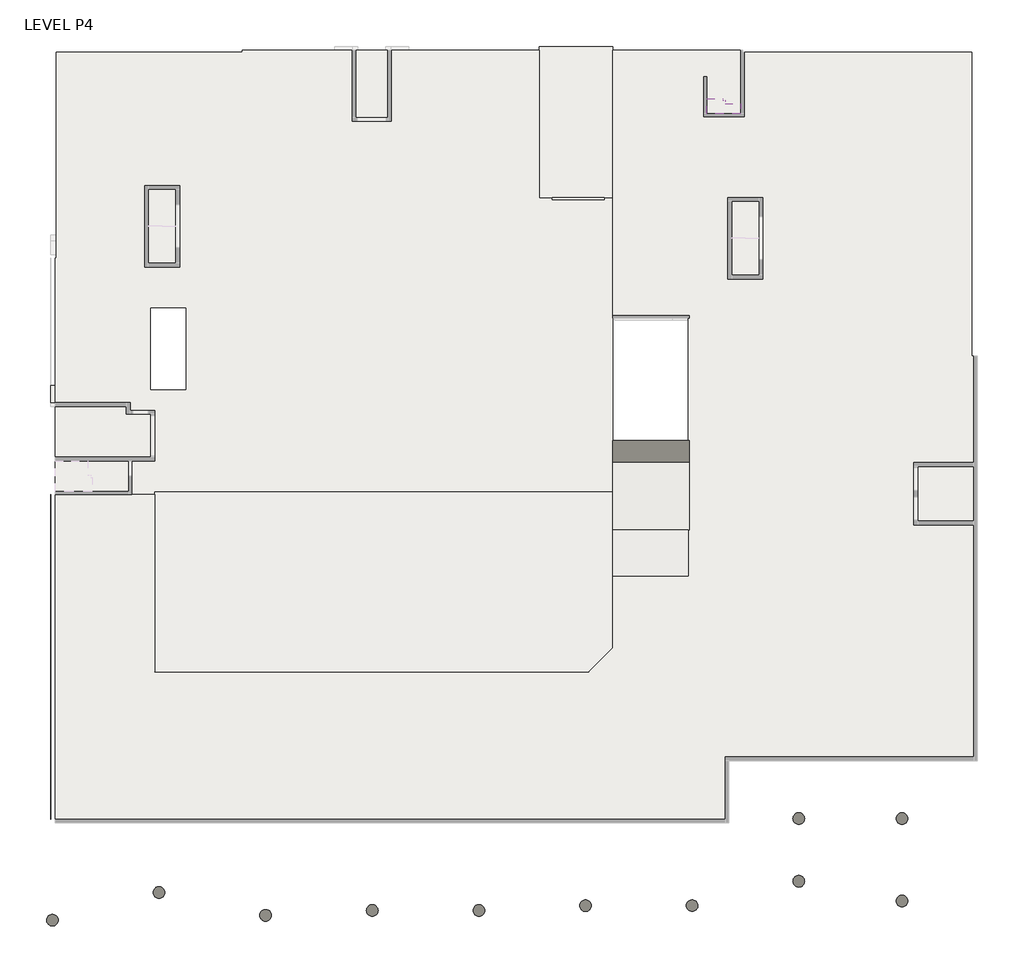
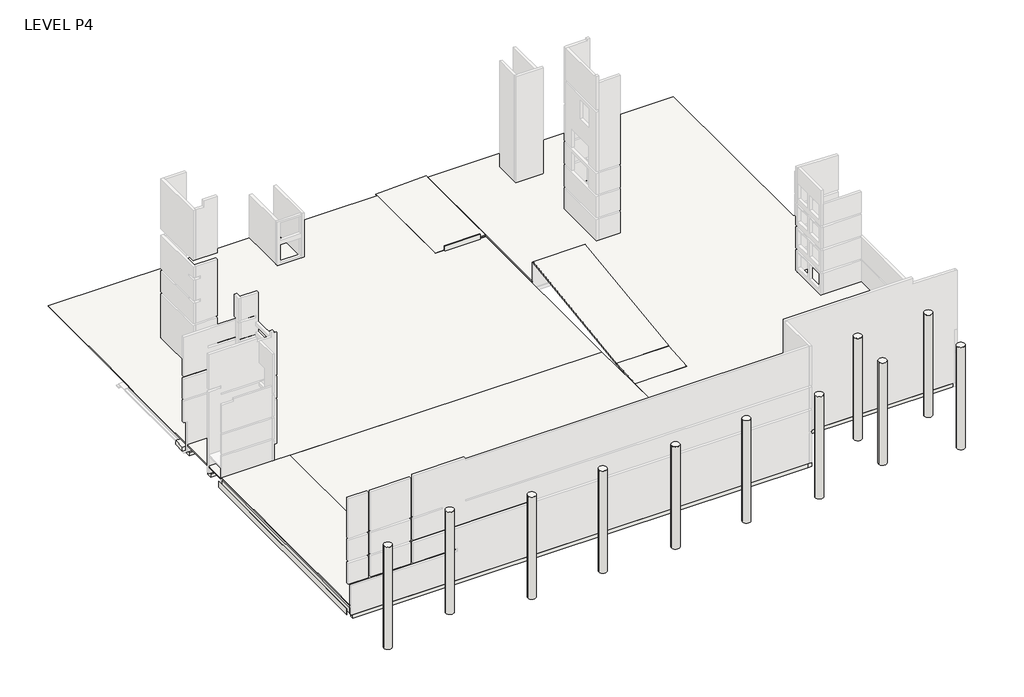
# One storey, part 3 of 4: 56 slabs, 10 footings.
"""IFC4 building model written with IfcOpenShell, lengths in millimetres."""

import ifcopenshell
import ifcopenshell.guid

model = None  # the IFC model being written
_history = None  # IfcOwnerHistory: only IFC2X3 demands one
_inside = {}  # id of a spatial element -> (the spatial element, [elements in it])
_under = {}  # id of a project, library or spatial element -> (it, [spatial elements below it])
_declared = {}  # id of a project -> (the project, [libraries it declares])
_typed = {}  # id of a type object -> (the type object, [elements of that type])
_made_of = {}  # id of a material, layer set ... -> (it, [elements and type objects made of it])


def new_model(schema):
    """Start an empty IFC model of exactly this schema.

    Asked for "IFC4X3", IfcOpenShell would pick the latest addendum, in which some entities
    have other attributes; the version numbers below select the first issue.
    IFC2X3 requires an IfcOwnerHistory on every rooted entity: one is made here for all.
    """
    global model, _history
    if schema == "IFC4X3":
        model = ifcopenshell.file(schema_version=(4, 3, 0, 0))
    else:
        model = ifcopenshell.file(schema=schema)
    _inside.clear()
    _under.clear()
    _declared.clear()
    _typed.clear()
    _made_of.clear()
    _history = None
    if model.schema == "IFC2X3":
        org = make("IfcOrganization", Name="unknown")
        user = make(
            "IfcPersonAndOrganization",
            ThePerson=make("IfcPerson", FamilyName="unknown"),
            TheOrganization=org,
        )
        app = make(
            "IfcApplication",
            ApplicationDeveloper=org,
            Version="unknown",
            ApplicationFullName="unknown",
            ApplicationIdentifier="unknown",
        )
        _history = make(
            "IfcOwnerHistory",
            OwningUser=user,
            OwningApplication=app,
            ChangeAction="ADDED",
            CreationDate=0,
        )
    return model


def make(cls, **values):
    """One entity of the class cls with the attributes given. An attribute that is None is left unset."""
    return model.create_entity(
        cls, **{name: value for name, value in values.items() if value is not None}
    )


def rooted(cls, **values):
    """An entity with a GlobalId (a new one), such as an element, a storey or a relation."""
    return make(cls, GlobalId=ifcopenshell.guid.new(), OwnerHistory=_history, **values)


def si_unit(unit_type, name, prefix=None):
    """IfcSIUnit, for example si_unit("LENGTHUNIT", "METRE", prefix="MILLI")."""
    return make("IfcSIUnit", UnitType=unit_type, Prefix=prefix, Name=name)


def assignment(units):
    """IfcUnitAssignment: the units of a project."""
    return None if units is None else make("IfcUnitAssignment", Units=units)


def point(xyz):
    """IfcCartesianPoint."""
    return None if xyz is None else make("IfcCartesianPoint", Coordinates=xyz)


def direction(xyz):
    """IfcDirection."""
    return None if xyz is None else make("IfcDirection", DirectionRatios=xyz)


def frame(location, z_axis=None, x_axis=None):
    """IfcAxis2Placement3D, a coordinate frame: its origin and axes. An axis left out is left unset."""
    return make(
        "IfcAxis2Placement3D",
        Location=point(location),
        Axis=direction(z_axis),
        RefDirection=direction(x_axis),
    )


def frame_2d(location, x_axis=None):
    """IfcAxis2Placement2D, a coordinate frame in the plane: its origin and x axis."""
    return make(
        "IfcAxis2Placement2D", Location=point(location), RefDirection=direction(x_axis)
    )


def origin():
    """The frame at (0, 0, 0) with its axes left unset."""
    return frame((0.0, 0.0, 0.0))


def place(relative_to, where):
    """IfcLocalPlacement: puts the frame where relative to a parent placement (None: the world)."""
    return make(
        "IfcLocalPlacement", PlacementRelTo=relative_to, RelativePlacement=where
    )


def context(
    kind, dimensions, precision=None, world=None, true_north=None, identifier=None
):
    """IfcGeometricRepresentationContext, for example the 3D "Model" context."""
    return make(
        "IfcGeometricRepresentationContext",
        ContextIdentifier=identifier,
        ContextType=kind,
        CoordinateSpaceDimension=dimensions,
        Precision=precision,
        WorldCoordinateSystem=world,
        TrueNorth=true_north,
    )


def project(units=None, contexts=None):
    """IfcProject with its units and contexts."""
    return rooted(
        "IfcProject",
        Name="project",
        RepresentationContexts=contexts,
        UnitsInContext=assignment(units),
    )


def spatial(cls, under=None, at=None, **own):
    """A site, building, storey or space (cls), placed at a placement, below another one or the project."""
    s = rooted(cls, ObjectPlacement=at, **own)
    if under is not None:
        _under.setdefault(under.id(), (under, []))[1].append(s)
    return s


def polyline(points):
    """IfcPolyline through the points."""
    return make("IfcPolyline", Points=[point(p) for p in points])


def circle_curve(where, radius):
    """IfcCircle in the frame where."""
    return make("IfcCircle", Position=where, Radius=radius)


def trimmed(basis, trim1, trim2, sense, master):
    """IfcTrimmedCurve: the piece of a basis curve between two trims."""
    return make(
        "IfcTrimmedCurve",
        BasisCurve=basis,
        Trim1=trim1,
        Trim2=trim2,
        SenseAgreement=sense,
        MasterRepresentation=master,
    )


def segment(curve, same_sense, transition):
    """IfcCompositeCurveSegment."""
    return make(
        "IfcCompositeCurveSegment",
        Transition=transition,
        SameSense=same_sense,
        ParentCurve=curve,
    )


def composite_curve(segments, self_intersect=None):
    """IfcCompositeCurve: segments joined end to end."""
    return make("IfcCompositeCurve", Segments=segments, SelfIntersect=self_intersect)


def outline(outer, holes=None, kind="AREA"):
    """IfcArbitraryClosedProfileDef: a profile drawn as a closed curve; with holes, ...WithVoids."""
    if holes is None:
        return make("IfcArbitraryClosedProfileDef", ProfileType=kind, OuterCurve=outer)
    return make(
        "IfcArbitraryProfileDefWithVoids",
        ProfileType=kind,
        OuterCurve=outer,
        InnerCurves=holes,
    )


def extrude(swept, where, along, depth):
    """IfcExtrudedAreaSolid: the profile swept, set in the frame where, extruded along a direction by depth."""
    return make(
        "IfcExtrudedAreaSolid",
        SweptArea=swept,
        Position=where,
        ExtrudedDirection=direction(along),
        Depth=depth,
    )


def faces_of(points, faces, orient=None, outer=None):
    """IfcFace entities. A face is a list of loops; a loop is a list of indices into points, from 0.

    orient and outer hold one flag for each loop. By default every Orientation is true, the
    first loop of a face is its IfcFaceOuterBound and the others are IfcFaceBound.
    """
    made = []
    for i, loops in enumerate(faces):
        bounds = []
        for j, loop in enumerate(loops):
            is_outer = j == 0 if outer is None else outer[i][j]
            bounds.append(
                make(
                    "IfcFaceOuterBound" if is_outer else "IfcFaceBound",
                    Bound=make("IfcPolyLoop", Polygon=[points[k] for k in loop]),
                    Orientation=True if orient is None else orient[i][j],
                )
            )
        made.append(make("IfcFace", Bounds=bounds))
    return made


def faceted_brep(points, faces, orient=None, outer=None, voids=None):
    """IfcFacetedBrep: a solid bounded by flat faces; with voids (closed shells), ...WithVoids."""
    shared = [point(p) for p in points]
    hull = make("IfcClosedShell", CfsFaces=faces_of(shared, faces, orient, outer))
    if voids is None:
        return make("IfcFacetedBrep", Outer=hull)
    return make(
        "IfcFacetedBrepWithVoids",
        Outer=hull,
        Voids=[
            make(cls, CfsFaces=faces_of(shared, fs, o, b)) for cls, fs, o, b in voids
        ],
    )


def shape(context_of_items, identifier, shape_type, items):
    """IfcShapeRepresentation: the items that make up one representation, for example the "Body"."""
    return make(
        "IfcShapeRepresentation",
        ContextOfItems=context_of_items,
        RepresentationIdentifier=identifier,
        RepresentationType=shape_type,
        Items=items,
    )


def source(mapping_origin, context_of_items, identifier, shape_type, items):
    """IfcRepresentationMap: a shape defined once, which mapped items show again and again."""
    return make(
        "IfcRepresentationMap",
        MappingOrigin=mapping_origin,
        MappedRepresentation=shape(context_of_items, identifier, shape_type, items),
    )


def transform(
    local_origin,
    x_axis=None,
    y_axis=None,
    z_axis=None,
    scale=None,
    scale2=None,
    scale3=None,
    uniform=True,
):
    """IfcCartesianTransformationOperator3D, or its non-uniform kind. x_axis, y_axis, z_axis: its Axis1, 2, 3."""
    if uniform:
        return make(
            "IfcCartesianTransformationOperator3D",
            Axis1=direction(x_axis),
            Axis2=direction(y_axis),
            LocalOrigin=point(local_origin),
            Scale=scale,
            Axis3=direction(z_axis),
        )
    return make(
        "IfcCartesianTransformationOperator3DnonUniform",
        Axis1=direction(x_axis),
        Axis2=direction(y_axis),
        LocalOrigin=point(local_origin),
        Scale=scale,
        Axis3=direction(z_axis),
        Scale2=scale2,
        Scale3=scale3,
    )


def mapped(mapping_source, mapping_target):
    """IfcMappedItem: shows the shape of a source again, moved by a transform."""
    return make(
        "IfcMappedItem", MappingSource=mapping_source, MappingTarget=mapping_target
    )


def made_of(thing, what):
    """Note that an element or type object is made of a material, layer set ...; save() writes the relation."""
    if what is not None:
        _made_of.setdefault(what.id(), (what, []))[1].append(thing)
    return thing


def element(
    cls,
    number,
    at=None,
    inside=None,
    cuts=None,
    type_object=None,
    material=None,
    context=None,
    identifier="Body",
    shape_type=None,
    held_by="IfcProductDefinitionShape",
    body=None,
    shapes=None,
    **own,
):
    """One element of the class cls, such as IfcWall. Its Tag is "e" and its number.

    at: its placement. inside: the storey or other place that contains it. cuts: it is an
    opening in that element (IfcRelVoidsElement). A single representation is given by context,
    identifier, shape_type and body (its items); several are given by shapes. held_by: the class
    of the entity that holds the representations. save() writes the other relations.
    """
    e = rooted(cls, Tag="e%d" % number, ObjectPlacement=at, **own)
    if body is not None:
        shapes = [shape(context, identifier, shape_type, body)]
    if shapes is not None:
        e.Representation = make(held_by, Representations=shapes)
    if inside is not None:
        _inside.setdefault(inside.id(), (inside, []))[1].append(e)
    if cuts is not None:
        rooted(
            "IfcRelVoidsElement", RelatingBuildingElement=cuts, RelatedOpeningElement=e
        )
    if type_object is not None:
        _typed.setdefault(type_object.id(), (type_object, []))[1].append(e)
    return made_of(e, material)


def aggregate(whole, parts):
    """IfcRelAggregates: a whole, such as a stair, and the parts it consists of."""
    return rooted("IfcRelAggregates", RelatingObject=whole, RelatedObjects=parts)


def save(model, path):
    """Write the relations noted so far, then the file.

    IfcRelAggregates (storeys below a building ...), IfcRelContainedInSpatialStructure (elements
    in a storey), IfcRelDefinesByType, IfcRelAssociatesMaterial and IfcRelDeclares: one each for
    every whole, place, type object, material and project.
    """
    for whole, parts in _under.values():
        aggregate(whole, parts)
    for where, things in _inside.values():
        rooted(
            "IfcRelContainedInSpatialStructure",
            RelatedElements=things,
            RelatingStructure=where,
        )
    for kind, things in _typed.values():
        rooted("IfcRelDefinesByType", RelatedObjects=things, RelatingType=kind)
    for what, things in _made_of.values():
        rooted("IfcRelAssociatesMaterial", RelatedObjects=things, RelatingMaterial=what)
    for by, libraries in _declared.values():
        rooted("IfcRelDeclares", RelatingContext=by, RelatedDefinitions=libraries)
    model.write(path)


def se_footing_rectangular_1000x1100x500_dp_5cadb2b9(model_context):
    return source(origin(), model_context, "Body", "SweptSolid", [
        extrude(outline(polyline([(500.0, 550.0), (500.0, -550.0), (-500.0, -550.0), (-500.0, 550.0), (500.0, 550.0)])), frame((0.0, 0.0, -500.0), z_axis=(0.0, 0.0, 1.0), x_axis=(1.0, 0.0, 0.0)), (0.0, 0.0, 1.0), 500.0),
    ])


def se_footing_rectangular_1300x1400x800_dp_eee4f3e4(model_context):
    return source(origin(), model_context, "Body", "SweptSolid", [
        extrude(outline(polyline([(650.0, 700.0), (650.0, -700.0), (-650.0, -700.0), (-650.0, 700.0), (650.0, 700.0)])), frame((0.0, 0.0, -800.0), z_axis=(0.0, 0.0, 1.0), x_axis=(1.0, 0.0, 0.0)), (0.0, 0.0, 1.0), 800.0),
    ])


def se_footing_rectangular_1600x1700x1100_dp_795ffc2e(model_context):
    return source(origin(), model_context, "Body", "SweptSolid", [
        extrude(outline(polyline([(800.0, 850.0), (800.0, -850.0), (-800.0, -850.0), (-800.0, 850.0), (800.0, 850.0)])), frame((0.0, 0.0, -1100.0), z_axis=(0.0, 0.0, 1.0), x_axis=(1.0, 0.0, 0.0)), (0.0, 0.0, 1.0), 1100.0),
    ])


def se_footing_rectangular_1800x2000x1300_dp_f67b5a3b(model_context):
    return source(origin(), model_context, "Body", "SweptSolid", [
        extrude(outline(polyline([(900.0, 1000.0), (900.0, -1000.0), (-900.0, -1000.0), (-900.0, 1000.0), (900.0, 1000.0)])), frame((0.0, 0.0, -1300.0), z_axis=(0.0, 0.0, 1.0), x_axis=(1.0, 0.0, 0.0)), (0.0, 0.0, 1.0), 1300.0),
    ])


model = new_model("IFC4")

# Units and contexts
model_context = context("Model", 3, world=origin())
ifc_project = project(units=[si_unit("LENGTHUNIT", "METRE", prefix="MILLI")], contexts=[model_context])

# Site, building, storey
site = spatial("IfcSite", under=ifc_project)
building = spatial("IfcBuilding", under=site)
storey = spatial("IfcBuildingStorey", under=building, Name="LEVEL P4", Elevation=-13800.0)

# Footings
placement = place(None, origin())
element("IfcFooting", 1, at=placement, inside=storey, context=model_context, shape_type="Brep", body=[
    faceted_brep([(230986.3204833, 162713.2318341, -14650.0), (230986.3204833, 162563.2318341, -14650.0), (230986.3204833, 162263.2318341, -14650.0), (231136.3204833, 162263.2318341, -14650.0), (231436.3204833, 162263.2318341, -14650.0), (250561.1491692, 162263.2318341, -14650.0), (250561.1491692, 162563.2318341, -14650.0), (250561.1491692, 162713.2318341, -14650.0), (230986.3204833, 162713.2318341, -15100.0), (250561.1491692, 162713.2318341, -15100.0), (230986.3204833, 162263.2318341, -15100.0), (250561.1491692, 162263.2318341, -15100.0), (231436.3204833, 162263.2318341, -15100.0)], [[[0, 1, 2, 3, 4, 5, 6, 7]], [[8, 0, 7, 9]], [[10, 8, 9, 11, 12]], [[2, 10, 12, 11, 5, 4, 3]], [[2, 1, 0, 8, 10]], [[7, 6, 5, 11, 9]]]),
])
element("IfcFooting", 2, at=placement, inside=storey, context=model_context, shape_type="Brep", body=[
    faceted_brep([(230986.3204833, 157363.2318341, -14650.0), (231136.3204833, 157363.2318341, -14650.0), (231436.3204833, 157363.2318341, -14650.0), (231436.3204833, 162263.2318341, -14650.0), (231136.3204833, 162263.2318341, -14650.0), (230986.3204833, 162263.2318341, -14650.0), (230986.3204833, 157663.2318341, -14650.0), (230986.3204833, 157363.2318341, -15100.0), (230986.3204833, 157363.2318341, -14652.5201278), (230986.3204833, 162263.2318341, -15100.0), (230986.3204833, 157813.2318341, -15100.0), (231436.3204833, 157363.2318341, -15100.0), (231436.3204833, 162263.2318341, -15100.0)], [[[0, 1, 2, 3, 4, 5, 6]], [[7, 8, 0, 6, 5, 9, 10]], [[11, 7, 10, 9, 12]], [[2, 11, 12, 3]], [[2, 1, 0, 8, 7, 11]], [[5, 4, 3, 12, 9]]]),
])
element("IfcFooting", 3, at=placement, inside=storey, context=model_context, shape_type="Brep", body=[
    faceted_brep([(184551.1489175, 183107.2325529, -14750.0), (184551.1489175, 185757.2325529, -14750.0), (184551.1489175, 186357.2325529, -14750.0), (184001.1489175, 186357.2325529, -14750.0), (184001.1489175, 185757.2325529, -14750.0), (184001.1489175, 183657.2325529, -14750.0), (184001.1489175, 183107.2325529, -14750.0), (184001.1489175, 183107.2325529, -15100.0), (184001.1489175, 186357.2325529, -15100.0), (184001.1489175, 185757.2325529, -15100.0), (184001.1489175, 183657.2325529, -15100.0), (184551.1489175, 183107.2325529, -15100.0), (184551.1489175, 186357.2325529, -15100.0), (184551.1489175, 185757.2325529, -15100.0)], [[[0, 1, 2, 3, 4, 5, 6]], [[7, 6, 5, 4, 3, 8, 9, 10]], [[11, 7, 10, 9, 8, 12, 13]], [[0, 11, 13, 12, 2, 1]], [[0, 6, 7, 11]], [[3, 2, 12, 8]]]),
])
element("IfcFooting", 4, at=placement, inside=storey, context=model_context, shape_type="SweptSolid", body=[
    extrude(outline(polyline([(184001.1489175, 183657.2325529), (184001.1489175, 183107.2325529), (178511.1491693, 183107.2325529), (178511.1491693, 183657.2325529), (184001.1489175, 183657.2325529)])), frame((0.0, 0.0, -15100.0), z_axis=(0.0, 0.0, 1.0), x_axis=(1.0, 0.0, 0.0)), (0.0, 0.0, 1.0), 350.0),
])
element("IfcFooting", 5, at=placement, inside=storey, context=model_context, shape_type="Brep", body=[
    faceted_brep([(186351.1489175, 185757.2325529, -14750.0), (186351.1489175, 185757.2325529, -15100.0), (186351.1489175, 186357.2325529, -15100.0), (186351.1489175, 186357.2325529, -14750.0), (185751.1489175, 186357.2325529, -14750.0), (184551.1489175, 186357.2325529, -14750.0), (184551.1489175, 185757.2325529, -14750.0), (184551.1489175, 185757.2325529, -15100.0), (184551.1489175, 186357.2325529, -15100.0), (185751.1489175, 186357.2325529, -15100.0)], [[[0, 1, 2, 3]], [[0, 3, 4, 5, 6]], [[1, 0, 6, 7]], [[2, 1, 7, 8, 9]], [[3, 2, 9, 8, 5, 4]], [[6, 5, 8, 7]]]),
    faceted_brep([(184001.1489175, 185757.2325529, -14750.0), (184001.1489175, 186357.2325529, -14750.0), (178511.1491693, 186357.2325529, -14750.0), (178511.1491693, 185757.2325529, -14750.0), (184001.1489175, 185757.2325529, -15100.0), (178511.1491693, 185757.2325529, -15100.0), (184001.1489175, 186357.2325529, -15100.0), (178511.1491693, 186357.2325529, -15100.0)], [[[0, 1, 2, 3]], [[4, 0, 3, 5]], [[6, 4, 5, 7]], [[1, 6, 7, 2]], [[1, 0, 4, 6]], [[3, 2, 7, 5]]]),
])
element("IfcFooting", 6, at=placement, inside=storey, context=model_context, shape_type="Brep", body=[
    faceted_brep([(185751.1489175, 190028.8314181, -14750.0), (185751.1489175, 189428.8314181, -14750.0), (185751.1489175, 186357.2325529, -14750.0), (186351.1489175, 186357.2325529, -14750.0), (186351.1489175, 190028.8314181, -14750.0), (186351.1489175, 190028.8314181, -15100.0), (186351.1489175, 186357.2325529, -15100.0), (185751.1489175, 190028.8314181, -15100.0), (185751.1489175, 186357.2325529, -15100.0), (185751.1489175, 189428.8314181, -15100.0)], [[[0, 1, 2, 3, 4]], [[5, 4, 3, 6]], [[7, 5, 6, 8, 9]], [[0, 7, 9, 8, 2, 1]], [[3, 2, 8, 6]], [[0, 4, 5, 7]]]),
])
element("IfcFooting", 7, at=placement, inside=storey, context=model_context, shape_type="Brep", body=[
    faceted_brep([(183806.1489175, 189428.8314181, -14750.0), (185751.1489175, 189428.8314181, -14750.0), (185751.1489175, 190028.8314181, -14750.0), (184406.1489175, 190028.8314181, -14750.0), (183806.1489175, 190028.8314181, -14750.0), (183806.1489175, 190028.8314181, -15100.0), (185751.1489175, 190028.8314181, -15100.0), (184406.1489175, 190028.8314181, -15100.0), (183806.1489175, 189428.8314181, -15100.0), (185751.1489175, 189428.8314181, -15100.0)], [[[0, 1, 2, 3, 4]], [[5, 4, 3, 2, 6, 7]], [[8, 5, 7, 6, 9]], [[0, 8, 9, 1]], [[0, 4, 5, 8]], [[2, 1, 9, 6]]]),
])
element("IfcFooting", 8, at=placement, inside=storey, context=model_context, shape_type="Brep", body=[
    faceted_brep([(184406.1489175, 190057.2325529, -14750.0), (184406.1489175, 190657.2325529, -14750.0), (178511.1491693, 190657.2325529, -14750.0), (178511.1491693, 190057.2325529, -14750.0), (183806.1489175, 190057.2325529, -14750.0), (184406.1489175, 190657.2325529, -15100.0), (178511.1491693, 190657.2325529, -15100.0), (184406.1489175, 190057.2325529, -15100.0), (183806.1489175, 190057.2325529, -15100.0), (178511.1491693, 190057.2325529, -15100.0), (178511.1491693, 190507.2325529, -15100.0)], [[[0, 1, 2, 3, 4]], [[1, 5, 6, 2]], [[5, 7, 8, 9, 10, 6]], [[7, 0, 4, 3, 9, 8]], [[1, 0, 7, 5]], [[2, 6, 10, 9, 3]]]),
])
element("IfcFooting", 9, at=placement, inside=storey, context=model_context, shape_type="SweptSolid", body=[
    extrude(outline(polyline([(183806.1489175, 190057.2325529), (184406.1489175, 190057.2325529), (184406.1489175, 190028.8314181), (183806.1489175, 190028.8314181), (183806.1489175, 190057.2325529)])), frame((0.0, 0.0, -15100.0), z_axis=(0.0, 0.0, 1.0), x_axis=(1.0, 0.0, 0.0)), (0.0, 0.0, 1.0), 350.0),
])
element("IfcFooting", 10, at=placement, inside=storey, context=model_context, shape_type="SweptSolid", body=[
    extrude(outline(polyline([(230986.3204833, 157813.2318341), (230986.3204833, 157363.2318341), (178511.1491693, 157363.2318341), (178511.1491693, 157813.2318341), (230986.3204833, 157813.2318341)])), frame((0.0, 0.0, -15100.0), z_axis=(0.0, 0.0, 1.0), x_axis=(1.0, 0.0, 0.0)), (0.0, 0.0, 1.0), 447.4798722),
])

# Slabs
element("IfcSlab", 11, at=placement, inside=storey, context=model_context, shape_type="SweptSolid", body=[
    extrude(outline(composite_curve([segment(trimmed(circle_curve(frame_2d((236936.3204833, 157713.2318341)), 457.5), [point((236478.8204833, 157713.2318341))], [point((237393.8204833, 157713.2318341))], False, "CARTESIAN"), True, "CONTINUOUS"), segment(trimmed(circle_curve(frame_2d((236936.3204833, 157713.2318341)), 457.5), [point((237393.8204833, 157713.2318341))], [point((236478.8204833, 157713.2318341))], False, "CARTESIAN"), True, "CONTINUOUS")], self_intersect=False)), frame((0.0, 0.0, -13800.0), z_axis=(0.0, 0.0, 1.0), x_axis=(1.0, 0.0, 0.0)), (0.0, 0.0, 1.0), 12450.0),
])
element("IfcSlab", 12, at=placement, inside=storey, context=model_context, shape_type="SweptSolid", body=[
    extrude(outline(composite_curve([segment(trimmed(circle_curve(frame_2d((245068.5141035, 157713.2318341)), 457.5), [point((244611.0141035, 157713.2318341))], [point((245526.0141035, 157713.2318341))], False, "CARTESIAN"), True, "CONTINUOUS"), segment(trimmed(circle_curve(frame_2d((245068.5141035, 157713.2318341)), 457.5), [point((245526.0141035, 157713.2318341))], [point((244611.0141035, 157713.2318341))], False, "CARTESIAN"), True, "CONTINUOUS")], self_intersect=False)), frame((0.0, 0.0, -13800.0), z_axis=(0.0, 0.0, 1.0), x_axis=(1.0, 0.0, 0.0)), (0.0, 0.0, 1.0), 12450.0),
])
element("IfcSlab", 13, at=placement, inside=storey, context=model_context, shape_type="SweptSolid", body=[
    extrude(outline(composite_curve([segment(trimmed(circle_curve(frame_2d((245068.5141035, 151219.208781)), 457.5), [point((244611.0141035, 151219.208781))], [point((245526.0141035, 151219.208781))], False, "CARTESIAN"), True, "CONTINUOUS"), segment(trimmed(circle_curve(frame_2d((245068.5141035, 151219.208781)), 457.5), [point((245526.0141035, 151219.208781))], [point((244611.0141035, 151219.208781))], False, "CARTESIAN"), True, "CONTINUOUS")], self_intersect=False)), frame((0.0, 0.0, -13800.0), z_axis=(0.0, 0.0, 1.0), x_axis=(1.0, 0.0, 0.0)), (0.0, 0.0, 1.0), 12450.0),
])
element("IfcSlab", 14, at=placement, inside=storey, context=model_context, shape_type="SweptSolid", body=[
    extrude(outline(composite_curve([segment(trimmed(circle_curve(frame_2d((236936.3204833, 152768.2318341)), 457.5), [point((236478.8204833, 152768.2318341))], [point((237393.8204833, 152768.2318341))], False, "CARTESIAN"), True, "CONTINUOUS"), segment(trimmed(circle_curve(frame_2d((236936.3204833, 152768.2318341)), 457.5), [point((237393.8204833, 152768.2318341))], [point((236478.8204833, 152768.2318341))], False, "CARTESIAN"), True, "CONTINUOUS")], self_intersect=False)), frame((0.0, 0.0, -13800.0), z_axis=(0.0, 0.0, 1.0), x_axis=(1.0, 0.0, 0.0)), (0.0, 0.0, 1.0), 12450.0),
])
element("IfcSlab", 15, at=placement, inside=storey, context=model_context, shape_type="SweptSolid", body=[
    extrude(outline(composite_curve([segment(trimmed(circle_curve(frame_2d((228536.3204833, 150849.9127076)), 457.5), [point((228078.8204833, 150849.9127076))], [point((228993.8204833, 150849.9127076))], False, "CARTESIAN"), True, "CONTINUOUS"), segment(trimmed(circle_curve(frame_2d((228536.3204833, 150849.9127076)), 457.5), [point((228993.8204833, 150849.9127076))], [point((228078.8204833, 150849.9127076))], False, "CARTESIAN"), True, "CONTINUOUS")], self_intersect=False)), frame((0.0, 0.0, -13800.0), z_axis=(0.0, 0.0, 1.0), x_axis=(1.0, 0.0, 0.0)), (0.0, 0.0, 1.0), 12450.0),
])
element("IfcSlab", 16, at=placement, inside=storey, context=model_context, shape_type="SweptSolid", body=[
    extrude(outline(composite_curve([segment(trimmed(circle_curve(frame_2d((220136.3204833, 150848.2318341)), 457.5), [point((219678.8204833, 150848.2318341))], [point((220593.8204833, 150848.2318341))], False, "CARTESIAN"), True, "CONTINUOUS"), segment(trimmed(circle_curve(frame_2d((220136.3204833, 150848.2318341)), 457.5), [point((220593.8204833, 150848.2318341))], [point((219678.8204833, 150848.2318341))], False, "CARTESIAN"), True, "CONTINUOUS")], self_intersect=False)), frame((0.0, 0.0, -13800.0), z_axis=(0.0, 0.0, 1.0), x_axis=(1.0, 0.0, 0.0)), (0.0, 0.0, 1.0), 12450.0),
])
element("IfcSlab", 17, at=placement, inside=storey, context=model_context, shape_type="SweptSolid", body=[
    extrude(outline(composite_curve([segment(trimmed(circle_curve(frame_2d((211736.3204833, 150468.1936704)), 457.5), [point((211278.8204833, 150468.1936704))], [point((212193.8204833, 150468.1936704))], False, "CARTESIAN"), True, "CONTINUOUS"), segment(trimmed(circle_curve(frame_2d((211736.3204833, 150468.1936704)), 457.5), [point((212193.8204833, 150468.1936704))], [point((211278.8204833, 150468.1936704))], False, "CARTESIAN"), True, "CONTINUOUS")], self_intersect=False)), frame((0.0, 0.0, -13800.0), z_axis=(0.0, 0.0, 1.0), x_axis=(1.0, 0.0, 0.0)), (0.0, 0.0, 1.0), 12450.0),
])
element("IfcSlab", 18, at=placement, inside=storey, context=model_context, shape_type="SweptSolid", body=[
    extrude(outline(composite_curve([segment(trimmed(circle_curve(frame_2d((203336.3204833, 150468.2318341)), 457.5), [point((202878.8204833, 150468.2318341))], [point((203793.8204833, 150468.2318341))], False, "CARTESIAN"), True, "CONTINUOUS"), segment(trimmed(circle_curve(frame_2d((203336.3204833, 150468.2318341)), 457.5), [point((203793.8204833, 150468.2318341))], [point((202878.8204833, 150468.2318341))], False, "CARTESIAN"), True, "CONTINUOUS")], self_intersect=False)), frame((0.0, 0.0, -13800.0), z_axis=(0.0, 0.0, 1.0), x_axis=(1.0, 0.0, 0.0)), (0.0, 0.0, 1.0), 12450.0),
])
element("IfcSlab", 19, at=placement, inside=storey, context=model_context, shape_type="SweptSolid", body=[
    extrude(outline(composite_curve([segment(trimmed(circle_curve(frame_2d((194936.3204833, 150086.6380755)), 457.5), [point((194478.8204833, 150086.6380755))], [point((195393.8204833, 150086.6380755))], False, "CARTESIAN"), True, "CONTINUOUS"), segment(trimmed(circle_curve(frame_2d((194936.3204833, 150086.6380755)), 457.5), [point((195393.8204833, 150086.6380755))], [point((194478.8204833, 150086.6380755))], False, "CARTESIAN"), True, "CONTINUOUS")], self_intersect=False)), frame((0.0, 0.0, -13800.0), z_axis=(0.0, 0.0, 1.0), x_axis=(1.0, 0.0, 0.0)), (0.0, 0.0, 1.0), 12450.0),
])
element("IfcSlab", 20, at=placement, inside=storey, context=model_context, shape_type="SweptSolid", body=[
    extrude(outline(composite_curve([segment(trimmed(circle_curve(frame_2d((186529.5086862, 151888.2318341)), 457.5), [point((186072.0086862, 151888.2318341))], [point((186987.0086862, 151888.2318341))], False, "CARTESIAN"), True, "CONTINUOUS"), segment(trimmed(circle_curve(frame_2d((186529.5086862, 151888.2318341)), 457.5), [point((186987.0086862, 151888.2318341))], [point((186072.0086862, 151888.2318341))], False, "CARTESIAN"), True, "CONTINUOUS")], self_intersect=False)), frame((0.0, 0.0, -13800.0), z_axis=(0.0, 0.0, 1.0), x_axis=(1.0, 0.0, 0.0)), (0.0, 0.0, 1.0), 12450.0),
])
element("IfcSlab", 21, at=placement, inside=storey, context=model_context, shape_type="SweptSolid", body=[
    extrude(outline(composite_curve([segment(trimmed(circle_curve(frame_2d((178136.3204833, 149705.0824806)), 457.5), [point((177678.8204833, 149705.0824806))], [point((178593.8204833, 149705.0824806))], False, "CARTESIAN"), True, "CONTINUOUS"), segment(trimmed(circle_curve(frame_2d((178136.3204833, 149705.0824806)), 457.5), [point((178593.8204833, 149705.0824806))], [point((177678.8204833, 149705.0824806))], False, "CARTESIAN"), True, "CONTINUOUS")], self_intersect=False)), frame((0.0, 0.0, -13800.0), z_axis=(0.0, 0.0, 1.0), x_axis=(1.0, 0.0, 0.0)), (0.0, 0.0, 1.0), 12450.0),
])
element("IfcSlab", 22, at=placement, inside=storey, context=model_context, shape_type="SweptSolid", body=[
    extrude(outline(polyline([(234111.1491692, 206663.2322067), (234111.1491692, 200248.2322067), (231351.1491692, 200248.2322067), (231351.1491692, 206663.2322067), (234111.1491692, 206663.2322067)])), frame((0.0, 0.0, -15450.0), z_axis=(0.0, 0.0, 1.0), x_axis=(1.0, 0.0, 0.0)), (0.0, 0.0, 1.0), 100.0),
])
element("IfcSlab", 23, at=placement, inside=storey, context=model_context, shape_type="SweptSolid", body=[
    extrude(outline(polyline([(188161.1489205, 207608.2322067), (188161.1489205, 201193.1983002), (185401.1489205, 201193.1983002), (185401.1489205, 207608.2322067), (188161.1489205, 207608.2322067)])), frame((0.0, 0.0, -15650.0), z_axis=(0.0, 0.0, 1.0), x_axis=(1.0, 0.0, 0.0)), (0.0, 0.0, 1.0), 100.0),
])
element("IfcSlab", 24, ObjectType="100 SLAB ON GRADE", at=placement, inside=storey, context=model_context, shape_type="SweptSolid", body=[
    extrude(outline(polyline([(228246.1491692, 176802.6490053), (228246.1491692, 197357.6490053), (222296.1491692, 197357.6490053), (222296.1491692, 218263.2318341), (232375.5971201, 218263.2318341), (232375.5971201, 218113.2318341), (250561.1491692, 218113.2318341), (250561.1491692, 194163.2322067), (250711.1491692, 194163.2322067), (250711.1491692, 162563.2318341), (231136.3204833, 162563.2318341), (231136.3204833, 157663.2318341), (178361.1491693, 157663.2318341), (178361.1491693, 183257.2325529), (184401.1489175, 183257.2325529), (186201.1489175, 183257.2325529), (186201.1489175, 169264.3146583), (220406.1491692, 169264.3146583), (222296.1491692, 171154.3146583), (222296.1491692, 176802.6490053), (228246.1491692, 176802.6490053)]), holes=[polyline([(233812.4721706, 206363.1983002), (231652.4721706, 206363.1983002), (231652.4721706, 200548.1983002), (233812.4721706, 200548.1983002), (233812.4721706, 206363.1983002)])]), frame((0.0, 0.0, -13700.0), z_axis=(0.0, 0.0, 1.0), x_axis=(1.0, 0.0, 0.0)), (0.0, 0.0, 1.0), 100.0),
])
element("IfcSlab", 25, ObjectType="100 SLAB ON GRADE", at=placement, inside=storey, context=model_context, shape_type="Brep", body=[
    faceted_brep([(220406.1491692, 169263.2322067, -13700.0099182), (186201.1489175, 169263.2322067, -13700.0099182), (186201.1489175, 183463.2322067, -13900.0099182), (222296.1491692, 183463.2322067, -13900.0099182), (222296.1491692, 171153.2322067, -13726.6296365), (220406.1491692, 169263.2322067, -13600.0), (222296.1491692, 171153.2322067, -13626.6197183), (222296.1491692, 183463.2322067, -13800.0), (186201.1489175, 183463.2322067, -13800.0), (186201.1489175, 169263.2322067, -13600.0)], [[[0, 1, 2, 3, 4]], [[5, 6, 7, 8, 9]], [[1, 0, 5, 9]], [[2, 1, 9, 8]], [[3, 2, 8, 7]], [[4, 3, 7, 6]], [[0, 4, 6, 5]]]),
])
element("IfcSlab", 26, ObjectType="100 SLAB ON GRADE", at=placement, inside=storey, context=model_context, shape_type="Brep", body=[
    faceted_brep([(178361.1491693, 183257.2325529, -13900.0), (178361.1491693, 201893.1983002, -13900.0), (178460.9778552, 201893.1983002, -13900.0), (178460.9778552, 218113.2318341, -13900.0), (193106.1491692, 218113.2318341, -13900.0), (193106.1491692, 218263.2318341, -13900.0), (216496.1491692, 218263.2318341, -13900.0), (216496.1491692, 206663.2322067, -13900.0), (222296.1491692, 206663.2322067, -13900.0), (222296.1491692, 183463.2322067, -13900.0), (186201.1489175, 183463.2322067, -13900.0), (186201.1489175, 183457.2325529, -13900.0), (186201.1489175, 183257.2325529, -13900.0), (184401.1489175, 183257.2325529, -13900.0), (188161.1489205, 207608.1983002, -13900.0), (185401.1489205, 207608.1983002, -13900.0), (185401.1489205, 201193.1983002, -13900.0), (188161.1489205, 201193.1983002, -13900.0), (188661.1489175, 197957.6490083, -13900.0), (185901.1489175, 197957.6490083, -13900.0), (185901.1489175, 191542.6490083, -13900.0), (188661.1489175, 191542.6490083, -13900.0), (178361.1491693, 183257.2325529, -13800.0), (186201.1489175, 183257.2325529, -13800.0), (186201.1489175, 183463.2322067, -13800.0), (222296.1491692, 183463.2322067, -13800.0), (222296.1491692, 206663.2322067, -13800.0), (216496.1491692, 206663.2322067, -13800.0), (216496.1491692, 218263.2318341, -13800.0), (193106.1491692, 218263.2318341, -13800.0), (193106.1491692, 218113.2318341, -13800.0), (178460.9778552, 218113.2318341, -13800.0), (178460.9778552, 201893.1983002, -13800.0), (178361.1491693, 201893.1983002, -13800.0), (188161.1489205, 207608.1983002, -13800.0), (188161.1489205, 201193.1983002, -13800.0), (185401.1489205, 201193.1983002, -13800.0), (185401.1489205, 207608.1983002, -13800.0), (188661.1489175, 197957.6490083, -13800.0), (188661.1489175, 191542.6490083, -13800.0), (185901.1489175, 191542.6490083, -13800.0), (185901.1489175, 197957.6490083, -13800.0)], [[[0, 1, 2, 3, 4, 5, 6, 7, 8, 9, 10, 11, 12, 13], [14, 15, 16, 17], [18, 19, 20, 21]], [[22, 23, 24, 25, 26, 27, 28, 29, 30, 31, 32, 33], [34, 35, 36, 37], [38, 39, 40, 41]], [[6, 5, 29, 28]], [[9, 8, 26, 25]], [[0, 13, 12, 23, 22]], [[3, 2, 32, 31]], [[15, 14, 34, 37]], [[16, 15, 37, 36]], [[17, 16, 36, 35]], [[14, 17, 35, 34]], [[19, 18, 38, 41]], [[20, 19, 41, 40]], [[21, 20, 40, 39]], [[18, 21, 39, 38]], [[7, 6, 28, 27]], [[8, 7, 27, 26]], [[10, 9, 25, 24]], [[12, 11, 10, 24, 23]], [[1, 0, 22, 33]], [[2, 1, 33, 32]], [[4, 3, 31, 30]], [[5, 4, 30, 29]]]),
])
element("IfcSlab", 27, ObjectType="100 SLAB ON GRADE", at=placement, inside=storey, context=model_context, shape_type="SweptSolid", body=[
    extrude(outline(polyline([(-13900.0594354, 216496.1491692), (-13700.0594354, 222296.1491692), (-13600.0, 222296.1491692), (-13800.0, 216496.1491692), (-13900.0594354, 216496.1491692)])), frame((0.0, 206663.2322067, 0.0), z_axis=(0.0, 1.0, 0.0), x_axis=(0.0, 0.0, 1.0)), (0.0, 0.0, 1.0), 11899.9996273),
])
element("IfcSlab", 28, ObjectType="200 SLAB", at=placement, inside=storey, context=model_context, shape_type="SweptSolid", body=[
    extrude(outline(polyline([(229685.5971201, 213278.2318341), (229685.5971201, 214454.5274851), (230930.5971201, 214454.5274851), (230930.5971201, 214329.5274851), (231130.5971201, 214329.5274851), (231130.5971201, 214074.5274851), (232375.5971201, 214074.5274851), (232375.5971201, 213278.2318341), (229685.5971201, 213278.2318341)])), frame((0.0, 0.0, -12400.0), z_axis=(0.0, 0.0, 1.0), x_axis=(1.0, 0.0, 0.0)), (0.0, 0.0, 1.0), 200.0),
])
element("IfcSlab", 29, ObjectType="225 SLAB", at=placement, inside=storey, context=model_context, shape_type="SweptSolid", body=[
    extrude(outline(polyline([(180452.6490053, -13550.6377011), (176802.6490053, -13825.6377011), (176802.6490053, -13600.0), (180452.6490053, -13325.0), (180452.6490053, -13550.6377011)])), frame((222296.1491692, 0.0, 0.0), z_axis=(1.0, 0.0, 0.0), x_axis=(0.0, 1.0, 0.0)), (0.0, 0.0, 1.0), 5950.0),
])
element("IfcSlab", 30, ObjectType="225 SLAB", at=placement, inside=storey, context=model_context, shape_type="Brep", body=[
    faceted_brep([(222296.1491692, 197157.6490053, -11302.0317402), (228296.1491692, 197157.6490053, -11302.0317402), (228296.1491692, 180452.6490053, -13552.0317402), (222296.1491692, 180452.6490053, -13552.0317402), (222296.1491692, 197157.6490053, -11075.0), (222296.1491692, 197117.6490053, -11080.3876085), (222296.1491692, 180452.6490053, -13325.0), (228296.1491692, 180452.6490053, -13325.0), (228296.1491692, 197117.6490053, -11080.3876085), (228296.1491692, 197157.6490053, -11075.0), (228296.1491692, 197157.6490053, -11297.6240025), (222296.1491692, 180452.6490053, -13550.6377011), (222296.1491692, 197157.6490053, -11297.6240025)], [[[0, 1, 2, 3]], [[4, 5, 6, 7, 8, 9]], [[2, 1, 10, 9, 8, 7]], [[3, 2, 7, 6, 11]], [[0, 3, 11, 6, 5, 4, 12]], [[1, 0, 12, 4, 9, 10]]]),
])
element("IfcSlab", 31, ObjectType="F2A - 600mm Concrete Curb", at=placement, inside=storey, context=model_context, shape_type="SweptSolid", body=[
    extrude(outline(polyline([(217496.1491692, 206663.2322067), (221596.1491692, 206663.2322067), (221596.1491692, 206513.2322067), (217496.1491692, 206513.2322067), (217496.1491692, 206663.2322067)])), frame((0.0, 0.0, -13800.0), z_axis=(0.0, 0.0, 1.0), x_axis=(1.0, 0.0, 0.0)), (0.0, 0.0, 1.0), 600.0),
])
element("IfcSlab", 32, ObjectType="SE_FOOTING_RECTANGULAR : 1000x1100x500 DP.", at=placement, inside=storey, context=model_context, shape_type="Brep", body=[
    faceted_brep([(229096.1491692, 178513.2322067, -14400.0), (228096.1491692, 178513.2322067, -14400.0), (228096.1491692, 177413.2322067, -14400.0), (229096.1491692, 177413.2322067, -14400.0), (229096.1491692, 178513.2322067, -14900.0), (229096.1491692, 177413.2322067, -14900.0), (228696.1491692, 177413.2322067, -14900.0), (228146.1491692, 177413.2322067, -14900.0), (228096.1491692, 177413.2322067, -14900.0), (228096.1491692, 178513.2322067, -14900.0), (228146.1491692, 178513.2322067, -14900.0), (228696.1491692, 178513.2322067, -14900.0)], [[[0, 1, 2, 3]], [[4, 5, 6, 7, 8, 9, 10, 11]], [[1, 0, 4, 11, 10, 9]], [[2, 1, 9, 8]], [[3, 2, 8, 7, 6, 5]], [[0, 3, 5, 4]]]),
])
se_footing_rectangular_1000x1100x500_dp_shape = se_footing_rectangular_1000x1100x500_dp_5cadb2b9(model_context)
element("IfcSlab", 33, ObjectType="SE_FOOTING_RECTANGULAR : 1000x1100x500 DP.", at=placement, inside=storey, context=model_context, shape_type="MappedRepresentation", body=[
    mapped(se_footing_rectangular_1000x1100x500_dp_shape, transform((180311.3204833, 162613.2318341, -14600.0), x_axis=(1.0, 0.0, 0.0), y_axis=(0.0, 1.0, 0.0), z_axis=(0.0, 0.0, 1.0))),
])
element("IfcSlab", 34, ObjectType="SE_FOOTING_RECTANGULAR : 1000x1100x500 DP.", at=placement, inside=storey, context=model_context, shape_type="MappedRepresentation", body=[
    mapped(se_footing_rectangular_1000x1100x500_dp_shape, transform((204896.1491692, 177963.2322067, -14400.0), x_axis=(0.0, 1.0000000000000002, 0.0), y_axis=(-1.0000000000000002, 0.0, 0.0), z_axis=(0.0, 0.0, 1.0))),
])
element("IfcSlab", 35, ObjectType="SE_FOOTING_RECTANGULAR : 1000x1100x500 DP.", at=placement, inside=storey, context=model_context, shape_type="MappedRepresentation", body=[
    mapped(se_footing_rectangular_1000x1100x500_dp_shape, transform((204896.1491692, 169563.2322067, -14600.0), x_axis=(0.0, 1.0000000000000002, 0.0), y_axis=(-1.0000000000000002, 0.0, 0.0), z_axis=(0.0, 0.0, 1.0))),
])
element("IfcSlab", 36, ObjectType="SE_FOOTING_RECTANGULAR : 1000x1100x500 DP.", at=placement, inside=storey, context=model_context, shape_type="MappedRepresentation", body=[
    mapped(se_footing_rectangular_1000x1100x500_dp_shape, transform((209846.1491692, 177963.2322067, -14400.0), x_axis=(0.0, 1.0000000000000002, 0.0), y_axis=(-1.0000000000000002, 0.0, 0.0), z_axis=(0.0, 0.0, 1.0))),
])
element("IfcSlab", 37, ObjectType="SE_FOOTING_RECTANGULAR : 1000x1100x500 DP.", at=placement, inside=storey, context=model_context, shape_type="MappedRepresentation", body=[
    mapped(se_footing_rectangular_1000x1100x500_dp_shape, transform((217146.1491692, 177963.2322067, -14400.0), x_axis=(0.0, 1.0000000000000002, 0.0), y_axis=(-1.0000000000000002, 0.0, 0.0), z_axis=(0.0, 0.0, 1.0))),
])
element("IfcSlab", 38, ObjectType="SE_FOOTING_RECTANGULAR : 1000x1100x500 DP.", at=placement, inside=storey, context=model_context, shape_type="MappedRepresentation", body=[
    mapped(se_footing_rectangular_1000x1100x500_dp_shape, transform((217146.1491692, 169563.2322067, -14600.0), x_axis=(0.0, 1.0000000000000002, 0.0), y_axis=(-1.0000000000000002, 0.0, 0.0), z_axis=(0.0, 0.0, 1.0))),
])
element("IfcSlab", 39, ObjectType="SE_FOOTING_RECTANGULAR : 1000x1100x500 DP.", at=placement, inside=storey, context=model_context, shape_type="MappedRepresentation", body=[
    mapped(se_footing_rectangular_1000x1100x500_dp_shape, transform((220056.1491692, 169563.2322067, -14600.0), x_axis=(0.0, 1.0000000000000002, 0.0), y_axis=(-1.0000000000000002, 0.0, 0.0), z_axis=(0.0, 0.0, 1.0))),
])
element("IfcSlab", 40, ObjectType="SE_FOOTING_RECTANGULAR : 1000x1100x500 DP.", at=placement, inside=storey, context=model_context, shape_type="MappedRepresentation", body=[
    mapped(se_footing_rectangular_1000x1100x500_dp_shape, transform((209846.1491692, 169563.2322067, -14600.0), x_axis=(0.0, 1.0000000000000002, 0.0), y_axis=(-1.0000000000000002, 0.0, 0.0), z_axis=(0.0, 0.0, 1.0))),
])
se_footing_rectangular_1300x1400x800_dp_shape = se_footing_rectangular_1300x1400x800_dp_eee4f3e4(model_context)
element("IfcSlab", 41, ObjectType="SE_FOOTING_RECTANGULAR : 1300x1400x800 DP.", at=placement, inside=storey, context=model_context, shape_type="MappedRepresentation", body=[
    mapped(se_footing_rectangular_1300x1400x800_dp_shape, transform((222736.3204833, 162613.2318341, -14300.0), x_axis=(1.0, 0.0, 0.0), y_axis=(0.0, 1.0, 0.0), z_axis=(0.0, 0.0, 1.0))),
])
element("IfcSlab", 42, ObjectType="SE_FOOTING_RECTANGULAR : 1300x1400x800 DP.", at=placement, inside=storey, context=model_context, shape_type="MappedRepresentation", body=[
    mapped(se_footing_rectangular_1300x1400x800_dp_shape, transform((214336.3204833, 162613.2318341, -14300.0), x_axis=(1.0, 0.0, 0.0), y_axis=(0.0, 1.0, 0.0), z_axis=(0.0, 0.0, 1.0))),
])
element("IfcSlab", 43, ObjectType="SE_FOOTING_RECTANGULAR : 1300x1400x800 DP.", at=placement, inside=storey, context=model_context, shape_type="MappedRepresentation", body=[
    mapped(se_footing_rectangular_1300x1400x800_dp_shape, transform((205936.3204833, 162613.2318341, -14300.0), x_axis=(1.0, 0.0, 0.0), y_axis=(0.0, 1.0, 0.0), z_axis=(0.0, 0.0, 1.0))),
])
element("IfcSlab", 44, ObjectType="SE_FOOTING_RECTANGULAR : 1300x1400x800 DP.", at=placement, inside=storey, context=model_context, shape_type="MappedRepresentation", body=[
    mapped(se_footing_rectangular_1300x1400x800_dp_shape, transform((197536.3204833, 162613.2318341, -14300.0), x_axis=(1.0, 0.0, 0.0), y_axis=(0.0, 1.0, 0.0), z_axis=(0.0, 0.0, 1.0))),
])
element("IfcSlab", 45, ObjectType="SE_FOOTING_RECTANGULAR : 1300x1400x800 DP.", at=placement, inside=storey, context=model_context, shape_type="MappedRepresentation", body=[
    mapped(se_footing_rectangular_1300x1400x800_dp_shape, transform((189136.3204833, 162613.2318341, -14300.0), x_axis=(1.0, 0.0, 0.0), y_axis=(0.0, 1.0, 0.0), z_axis=(0.0, 0.0, 1.0))),
])
element("IfcSlab", 46, ObjectType="SE_FOOTING_RECTANGULAR : 1300x1400x800 DP.", at=placement, inside=storey, context=model_context, shape_type="MappedRepresentation", body=[
    mapped(se_footing_rectangular_1300x1400x800_dp_shape, transform((199946.1491692, 169563.2322067, -14300.0), x_axis=(0.0, 1.0000000000000002, 0.0), y_axis=(-1.0000000000000002, 0.0, 0.0), z_axis=(0.0, 0.0, 1.0))),
])
element("IfcSlab", 47, ObjectType="SE_FOOTING_RECTANGULAR : 1300x1400x800 DP.", at=placement, inside=storey, context=model_context, shape_type="MappedRepresentation", body=[
    mapped(se_footing_rectangular_1300x1400x800_dp_shape, transform((199946.1491692, 177963.2322067, -14100.0), x_axis=(0.0, 1.0000000000000002, 0.0), y_axis=(-1.0000000000000002, 0.0, 0.0), z_axis=(0.0, 0.0, 1.0))),
])
element("IfcSlab", 48, ObjectType="SE_FOOTING_RECTANGULAR : 1300x1400x800 DP.", at=placement, inside=storey, context=model_context, shape_type="MappedRepresentation", body=[
    mapped(se_footing_rectangular_1300x1400x800_dp_shape, transform((217146.1491692, 186363.2322067, -14150.0), x_axis=(0.0, 1.0000000000000002, 0.0), y_axis=(-1.0000000000000002, 0.0, 0.0), z_axis=(0.0, 0.0, 1.0))),
])
element("IfcSlab", 49, ObjectType="SE_FOOTING_RECTANGULAR : 1300x1400x800 DP.", at=placement, inside=storey, context=model_context, shape_type="MappedRepresentation", body=[
    mapped(se_footing_rectangular_1300x1400x800_dp_shape, transform((209846.1491692, 186363.2322067, -14150.0), x_axis=(0.0, 1.0000000000000002, 0.0), y_axis=(-1.0000000000000002, 0.0, 0.0), z_axis=(0.0, 0.0, 1.0))),
])
element("IfcSlab", 50, ObjectType="SE_FOOTING_RECTANGULAR : 1300x1400x800 DP.", at=placement, inside=storey, context=model_context, shape_type="MappedRepresentation", body=[
    mapped(se_footing_rectangular_1300x1400x800_dp_shape, transform((204896.1491692, 186363.2322067, -14150.0), x_axis=(0.0, 1.0000000000000002, 0.0), y_axis=(-1.0000000000000002, 0.0, 0.0), z_axis=(0.0, 0.0, 1.0))),
])
element("IfcSlab", 51, ObjectType="SE_FOOTING_RECTANGULAR : 1300x1400x800 DP.", at=placement, inside=storey, context=model_context, shape_type="MappedRepresentation", body=[
    mapped(se_footing_rectangular_1300x1400x800_dp_shape, transform((199946.1491692, 186363.2322067, -14150.0), x_axis=(0.0, 1.0000000000000002, 0.0), y_axis=(-1.0000000000000002, 0.0, 0.0), z_axis=(0.0, 0.0, 1.0))),
])
element("IfcSlab", 52, ObjectType="SE_FOOTING_RECTANGULAR : 1600x1700x1100 DP.", at=placement, inside=storey, context=model_context, shape_type="SweptSolid", body=[
    extrude(outline(polyline([(185001.1489175, 178763.2322067), (186701.1489175, 178763.2322067), (186701.1489175, 177163.2322067), (185001.1489175, 177163.2322067), (185001.1489175, 178763.2322067)])), frame((0.0, 0.0, -15200.0), z_axis=(0.0, 0.0, 1.0), x_axis=(1.0, 0.0, 0.0)), (0.0, 0.0, 1.0), 1100.0),
])
element("IfcSlab", 53, ObjectType="SE_FOOTING_RECTANGULAR : 1600x1700x1100 DP.", at=placement, inside=storey, context=model_context, shape_type="Brep", body=[
    faceted_brep([(185061.3204833, 170363.2322067, -14000.0), (185061.3204833, 168763.2322067, -14000.0), (186761.3204833, 168763.2322067, -14000.0), (186761.3204833, 170363.2322067, -14000.0), (186201.1489175, 170363.2322067, -14000.0), (186001.1489175, 170363.2322067, -14000.0), (185061.3204833, 170363.2322067, -15100.0), (186761.3204833, 170363.2322067, -15100.0), (186761.3204833, 168763.2322067, -15100.0), (185061.3204833, 168763.2322067, -15100.0)], [[[0, 1, 2, 3, 4, 5]], [[6, 7, 8, 9]], [[1, 0, 6, 9]], [[2, 1, 9, 8]], [[3, 2, 8, 7]], [[0, 5, 4, 3, 7, 6]]]),
])
se_footing_rectangular_1600x1700x1100_dp_shape = se_footing_rectangular_1600x1700x1100_dp_795ffc2e(model_context)
element("IfcSlab", 54, ObjectType="SE_FOOTING_RECTANGULAR : 1600x1700x1100 DP.", at=placement, inside=storey, context=model_context, shape_type="MappedRepresentation", body=[
    mapped(se_footing_rectangular_1600x1700x1100_dp_shape, transform((192646.1491692, 169563.2322067, -14000.0), x_axis=(0.0, 1.0000000000000002, 0.0), y_axis=(-1.0000000000000002, 0.0, 0.0), z_axis=(0.0, 0.0, 1.0))),
])
element("IfcSlab", 55, ObjectType="SE_FOOTING_RECTANGULAR : 1600x1700x1100 DP.", at=placement, inside=storey, context=model_context, shape_type="MappedRepresentation", body=[
    mapped(se_footing_rectangular_1600x1700x1100_dp_shape, transform((192646.1491692, 186363.2322067, -14150.0), x_axis=(0.0, 1.0000000000000002, 0.0), y_axis=(-1.0000000000000002, 0.0, 0.0), z_axis=(0.0, 0.0, 1.0))),
])
element("IfcSlab", 56, ObjectType="SE_FOOTING_RECTANGULAR : 1600x1700x1100 DP.", at=placement, inside=storey, context=model_context, shape_type="MappedRepresentation", body=[
    mapped(se_footing_rectangular_1600x1700x1100_dp_shape, transform((245761.1491692, 169263.2322067, -14000.0), x_axis=(0.0, 1.0000000000000002, 0.0), y_axis=(-1.0000000000000002, 0.0, 0.0), z_axis=(0.0, 0.0, 1.0))),
])
se_footing_rectangular_1800x2000x1300_dp_shape = se_footing_rectangular_1800x2000x1300_dp_f67b5a3b(model_context)
element("IfcSlab", 57, ObjectType="SE_FOOTING_RECTANGULAR : 1800x2000x1300 DP.", at=placement, inside=storey, context=model_context, shape_type="MappedRepresentation", body=[
    mapped(se_footing_rectangular_1800x2000x1300_dp_shape, transform((192646.1491692, 177963.2322067, -14100.0), x_axis=(0.0, 1.0000000000000002, 0.0), y_axis=(-1.0000000000000002, 0.0, 0.0), z_axis=(0.0, 0.0, 1.0))),
])
element("IfcSlab", 58, ObjectType="SE_SQUARE FOOTING : SE_SQUARE FOOTING", at=placement, inside=storey, context=model_context, shape_type="Brep", body=[
    faceted_brep([(250561.1491692, 180863.2322067, -13950.0), (250561.1491692, 180863.2322067, -14650.0), (250561.1491692, 162713.2318341, -14650.0), (250561.1491692, 162563.2318341, -14650.0), (250561.1491692, 162563.2318341, -13950.0), (250561.1491692, 162713.2318341, -13950.0), (250711.1491692, 180863.2322067, -13950.0), (250711.1491692, 180863.2322067, -14650.0), (250711.1491692, 162563.2318341, -13950.0), (250711.1491692, 162563.2318341, -14650.0), (250711.1491692, 178963.2322067, -14650.0)], [[[0, 1, 2, 3, 4, 5]], [[1, 0, 6, 7]], [[0, 5, 4, 8, 6]], [[4, 3, 9, 8]], [[3, 2, 1, 7, 10, 9]], [[7, 6, 8, 9, 10]]]),
])
element("IfcSlab", 59, ObjectType="SE_SQUARE FOOTING : SE_SQUARE FOOTING", at=placement, inside=storey, context=model_context, shape_type="Brep", body=[
    faceted_brep([(178010.9778552, 190507.2325529, -14650.0), (178010.9778552, 190507.2325529, -14150.0), (178010.9778552, 191843.2322067, -14150.0), (178010.9778552, 191843.2322067, -14250.0), (178010.9778552, 191857.2325529, -14250.0), (178010.9778552, 191857.2325529, -14650.0), (178511.1491693, 190507.2325529, -14650.0), (178511.1491693, 191857.2325529, -14650.0), (178511.1491693, 191857.2325529, -14250.0), (178511.1491693, 191843.2322067, -14250.0), (178511.1491693, 191843.2322067, -14150.0), (178511.1491693, 190507.2325529, -14150.0), (178361.1491693, 191843.2322067, -14150.0), (178011.1491693, 191843.2322067, -14150.0), (178361.1491693, 191843.2322067, -14250.0), (178011.1491693, 191843.2322067, -14250.0)], [[[0, 1, 2, 3, 4, 5]], [[6, 7, 8, 9, 10, 11]], [[1, 0, 6, 11]], [[1, 11, 10, 12, 13, 2]], [[7, 5, 4, 8]], [[0, 5, 7, 6]], [[9, 14, 15, 3, 2, 13, 12, 10]], [[3, 15, 14, 9, 8, 4]]]),
])
element("IfcSlab", 60, ObjectType="SE_SQUARE FOOTING : SE_SQUARE FOOTING", at=placement, inside=storey, context=model_context, shape_type="Brep", body=[
    faceted_brep([(178010.9778552, 183257.2325529, -13950.0), (178010.9778552, 183257.2325529, -14650.0), (178010.9778552, 157663.2318341, -14650.0), (178010.9778552, 157663.2318341, -13950.0), (178011.1491693, 183257.2325529, -13950.0), (178011.1491693, 183257.2325529, -14650.0), (178011.1491693, 157663.2318341, -13950.0), (178011.1491693, 157663.2318341, -14650.0)], [[[0, 1, 2, 3]], [[1, 0, 4, 5]], [[0, 3, 6, 4]], [[3, 2, 7, 6]], [[2, 1, 5, 7]], [[5, 4, 6, 7]]]),
    faceted_brep([(178511.1491693, 157663.2318341, -14650.0), (178511.1491693, 157813.2318341, -14650.0), (178511.1491693, 183257.2325529, -14650.0), (178511.1491693, 183257.2325529, -13950.0), (178511.1491693, 157813.2318341, -13950.0), (178511.1491693, 157663.2318341, -13950.0), (178361.1491693, 183257.2325529, -13950.0), (178361.1491693, 183257.2325529, -14650.0), (178361.1491693, 157813.2318341, -14650.0), (178361.1491693, 157663.2318341, -14650.0), (178361.1491693, 157663.2318341, -13950.0)], [[[0, 1, 2, 3, 4, 5]], [[6, 7, 8, 9, 10]], [[3, 2, 7, 6]], [[5, 4, 3, 6, 10]], [[0, 5, 10, 9]], [[2, 1, 0, 9, 8, 7]]]),
])
element("IfcSlab", 61, ObjectType="SE_SQUARE FOOTING : SE_SQUARE FOOTING", at=placement, inside=storey, context=model_context, shape_type="Brep", body=[
    faceted_brep([(230986.3204833, 157663.2318341, -14650.0), (230986.3204833, 157663.2318341, -13950.0), (230986.3204833, 157813.2318341, -13950.0), (230986.3204833, 162563.2318341, -13950.0), (230986.3204833, 162563.2318341, -14650.0), (230986.3204833, 162263.2318341, -14650.0), (231436.3204833, 162563.2318341, -14650.0), (231436.3204833, 162563.2318341, -13950.0), (231436.3204833, 162263.2318341, -13950.0), (231436.3204833, 162263.2318341, -14650.0), (231136.3204833, 157663.2318341, -14650.0), (231136.3204833, 157663.2318341, -13950.0), (231136.3204833, 162263.2318341, -13950.0), (231136.3204833, 162263.2318341, -14650.0)], [[[0, 1, 2, 3, 4, 5]], [[6, 7, 8, 9]], [[1, 0, 10, 11]], [[3, 2, 1, 11, 12, 8, 7]], [[4, 3, 7, 6]], [[0, 5, 4, 6, 9, 13, 10]], [[13, 12, 11, 10]], [[12, 13, 9, 8]]]),
])
element("IfcSlab", 62, ObjectType="SE_SQUARE FOOTING : SE_SQUARE FOOTING", at=placement, inside=storey, context=model_context, shape_type="Brep", body=[
    faceted_brep([(230986.3204833, 162713.2318341, -14650.0), (230986.3204833, 162713.2318341, -13950.0), (250561.1491692, 162713.2318341, -13950.0), (250561.1491692, 162713.2318341, -14650.0), (230986.3204833, 162563.2318341, -14650.0), (230986.3204833, 162563.2318341, -13950.0), (231436.3204833, 162563.2318341, -13950.0), (250561.1491692, 162563.2318341, -13950.0), (250561.1491692, 162563.2318341, -14650.0), (231436.3204833, 162563.2318341, -14650.0), (231136.3204833, 162563.2318341, -14650.0)], [[[0, 1, 2, 3]], [[1, 0, 4, 5]], [[2, 1, 5, 6, 7]], [[3, 2, 7, 8]], [[0, 3, 8, 9, 10, 4]], [[5, 4, 10, 9, 8, 7, 6]]]),
])
element("IfcSlab", 63, ObjectType="SE_SQUARE FOOTING : SE_SQUARE FOOTING", at=placement, inside=storey, context=model_context, shape_type="Brep", body=[
    faceted_brep([(230986.3204833, 157813.2318341, -13950.0), (230986.3204833, 157813.2318341, -14652.5201278), (178511.1491693, 157813.2318341, -14652.5201278), (178361.1491693, 157813.2318341, -14652.5201278), (178361.1491693, 157813.2318341, -14650.0), (178511.1491693, 157813.2318341, -14650.0), (178511.1491693, 157813.2318341, -13950.0), (178361.1491693, 157363.2318341, -14652.5201278), (178511.1491693, 157363.2318341, -14652.5201278), (230986.3204833, 157363.2318341, -14652.5201278), (230986.3204833, 157363.2318341, -14650.0), (178361.1491693, 157363.2318341, -14650.0), (178361.1491693, 157663.2318341, -14650.0), (178511.1491693, 157663.2318341, -13950.0), (230986.3204833, 157663.2318341, -13950.0), (230986.3204833, 157663.2318341, -14650.0), (178511.1491693, 157663.2318341, -14650.0)], [[[0, 1, 2, 3, 4, 5, 6]], [[7, 8, 9, 10, 11]], [[3, 7, 11, 12, 4]], [[0, 6, 13, 14]], [[1, 0, 14, 15, 10, 9]], [[3, 2, 1, 9, 8, 7]], [[6, 5, 16, 13]], [[16, 15, 14, 13]], [[16, 5, 4, 12, 11, 10, 15]]]),
])
element("IfcSlab", 64, ObjectType="SE_STEPPED FOOTING : SE_STEPPED FOOTING", at=placement, inside=storey, context=model_context, shape_type="Brep", body=[
    faceted_brep([(222446.1491692, 177963.2322067, -14900.0), (222446.1491692, 178400.9863105, -14900.0), (222446.1491692, 178829.557739, -14600.0), (222446.1491692, 179043.8434533, -14450.0), (222446.1491692, 177963.2322067, -14450.0), (222446.1491692, 177963.2322067, -14550.0), (221896.1491692, 177963.2322067, -14900.0), (221896.1491692, 177963.2322067, -14550.0), (221896.1491692, 177963.2322067, -14450.0), (221896.1491692, 179043.8434533, -14450.0), (221896.1491692, 178829.557739, -14600.0), (221896.1491692, 178400.9863105, -14900.0)], [[[0, 1, 2, 3, 4, 5]], [[6, 7, 8, 9, 10, 11]], [[4, 8, 7, 6, 0, 5]], [[3, 9, 8, 4]], [[1, 11, 10, 9, 3, 2]], [[0, 6, 11, 1]]]),
])
element("IfcSlab", 65, ObjectType="SE_STEPPED FOOTING : SE_STEPPED FOOTING", at=placement, inside=storey, context=model_context, shape_type="SweptSolid", body=[
    extrude(outline(polyline([(175971.4302583, -15100.0), (175971.4302583, -14900.0), (176655.9524947, -14900.0), (176370.238209, -15100.0), (175971.4302583, -15100.0)])), frame((228146.1491692, 0.0, 0.0), z_axis=(1.0, 0.0, 0.0), x_axis=(0.0, 1.0, 0.0)), (0.0, 0.0, 1.0), 550.0),
])
element("IfcSlab", 66, ObjectType="SE_STEPPED FOOTING : SE_STEPPED FOOTING", at=placement, inside=storey, context=model_context, shape_type="SweptSolid", body=[
    extrude(outline(polyline([(179671.4302583, -14900.0), (179671.4302583, -14700.0), (180394.8986477, -14700.0), (180109.184362, -14900.0), (179671.4302583, -14900.0)])), frame((228146.1491692, 0.0, 0.0), z_axis=(1.0, 0.0, 0.0), x_axis=(0.0, 1.0, 0.0)), (0.0, 0.0, 1.0), 550.0),
])

save(model, "model.ifc")
